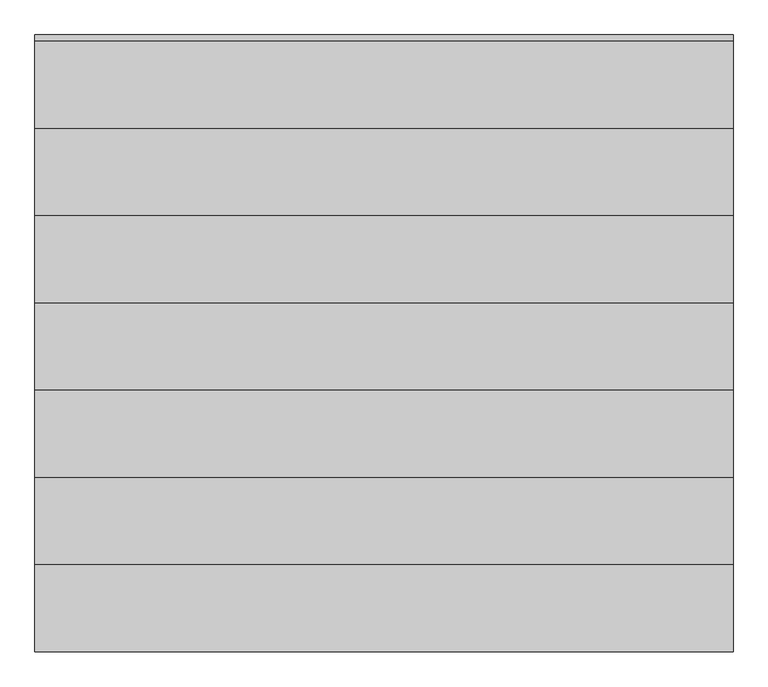
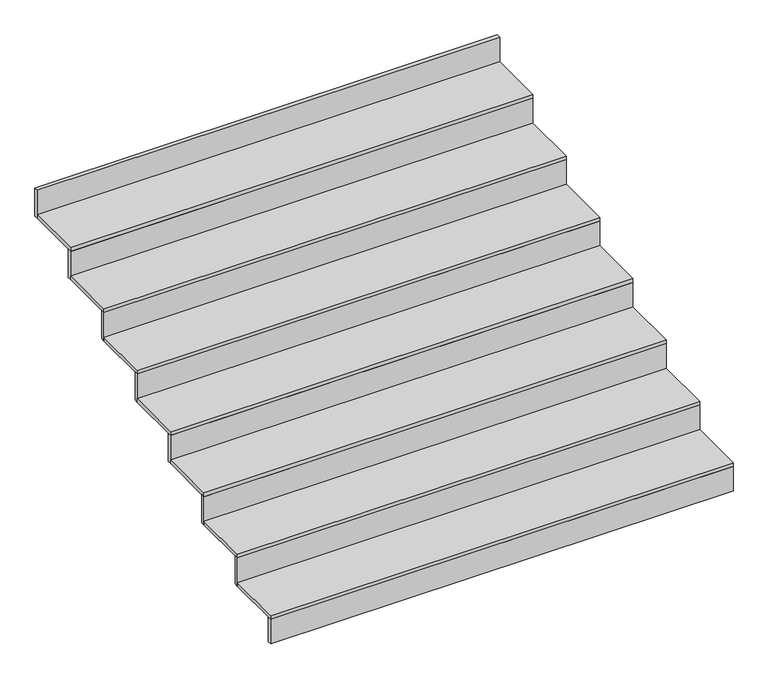
"""IFC4 building model written with IfcOpenShell, lengths in millimetres: stair flight geometry."""

from ifc_helpers import new_model, si_unit, frame, origin, place, context, project, spatial, polyline, outline, extrude, source, transform, mapped, element, save


def stair_flight_94210a76(model_context):
    return source(origin(), model_context, "Body", "SweptSolid", [
        extrude(outline(polyline([(137888.4918276, 83215.1344505), (137888.4918276, 83195.1344505), (135488.4918276, 83195.1344505), (135488.4918276, 83215.1344505), (137888.4918276, 83215.1344505)])), frame((0.0, 0.0, 1319.7255801), z_axis=(0.0, 0.0, 1.0), x_axis=(1.0, 0.0, 0.0)), (0.0, 0.0, 1.0), 134.8736167),
        extrude(outline(polyline([(135488.4918276, 83495.1344505), (137888.4918276, 83495.1344505), (137888.4918276, 83195.1344505), (135488.4918276, 83195.1344505), (135488.4918276, 83495.1344505)])), frame((0.0, 0.0, 1454.5991968), z_axis=(0.0, 0.0, 1.0), x_axis=(1.0, 0.0, 0.0)), (0.0, 0.0, 1.0), 20.0),
        extrude(outline(polyline([(137888.4918276, 83515.1344505), (137888.4918276, 83495.1344505), (135488.4918276, 83495.1344505), (135488.4918276, 83515.1344505), (137888.4918276, 83515.1344505)])), frame((0.0, 0.0, 1454.5991968), z_axis=(0.0, 0.0, 1.0), x_axis=(1.0, 0.0, 0.0)), (0.0, 0.0, 1.0), 154.8736167),
        extrude(outline(polyline([(135488.4918276, 83795.1344505), (137888.4918276, 83795.1344505), (137888.4918276, 83495.1344505), (135488.4918276, 83495.1344505), (135488.4918276, 83795.1344505)])), frame((0.0, 0.0, 1609.4728135), z_axis=(0.0, 0.0, 1.0), x_axis=(1.0, 0.0, 0.0)), (0.0, 0.0, 1.0), 20.0),
        extrude(outline(polyline([(137888.4918276, 83815.1344505), (137888.4918276, 83795.1344505), (135488.4918276, 83795.1344505), (135488.4918276, 83815.1344505), (137888.4918276, 83815.1344505)])), frame((0.0, 0.0, 1609.4728135), z_axis=(0.0, 0.0, 1.0), x_axis=(1.0, 0.0, 0.0)), (0.0, 0.0, 1.0), 154.8736167),
        extrude(outline(polyline([(135488.4918276, 84095.1344505), (137888.4918276, 84095.1344505), (137888.4918276, 83795.1344505), (135488.4918276, 83795.1344505), (135488.4918276, 84095.1344505)])), frame((0.0, 0.0, 1764.3464302), z_axis=(0.0, 0.0, 1.0), x_axis=(1.0, 0.0, 0.0)), (0.0, 0.0, 1.0), 20.0),
        extrude(outline(polyline([(137888.4918276, 84115.1344505), (137888.4918276, 84095.1344505), (135488.4918276, 84095.1344505), (135488.4918276, 84115.1344505), (137888.4918276, 84115.1344505)])), frame((0.0, 0.0, 1764.3464302), z_axis=(0.0, 0.0, 1.0), x_axis=(1.0, 0.0, 0.0)), (0.0, 0.0, 1.0), 154.8736167),
        extrude(outline(polyline([(135488.4918276, 84395.1344505), (137888.4918276, 84395.1344505), (137888.4918276, 84095.1344505), (135488.4918276, 84095.1344505), (135488.4918276, 84395.1344505)])), frame((0.0, 0.0, 1919.2200468), z_axis=(0.0, 0.0, 1.0), x_axis=(1.0, 0.0, 0.0)), (0.0, 0.0, 1.0), 20.0),
        extrude(outline(polyline([(137888.4918276, 84415.1344505), (137888.4918276, 84395.1344505), (135488.4918276, 84395.1344505), (135488.4918276, 84415.1344505), (137888.4918276, 84415.1344505)])), frame((0.0, 0.0, 1919.2200468), z_axis=(0.0, 0.0, 1.0), x_axis=(1.0, 0.0, 0.0)), (0.0, 0.0, 1.0), 154.8736167),
        extrude(outline(polyline([(135488.4918276, 84695.1344505), (137888.4918276, 84695.1344505), (137888.4918276, 84395.1344505), (135488.4918276, 84395.1344505), (135488.4918276, 84695.1344505)])), frame((0.0, 0.0, 2074.0936635), z_axis=(0.0, 0.0, 1.0), x_axis=(1.0, 0.0, 0.0)), (0.0, 0.0, 1.0), 20.0),
        extrude(outline(polyline([(137888.4918276, 84715.1344505), (137888.4918276, 84695.1344505), (135488.4918276, 84695.1344505), (135488.4918276, 84715.1344505), (137888.4918276, 84715.1344505)])), frame((0.0, 0.0, 2074.0936635), z_axis=(0.0, 0.0, 1.0), x_axis=(1.0, 0.0, 0.0)), (0.0, 0.0, 1.0), 154.8736167),
        extrude(outline(polyline([(135488.4918276, 84995.1344505), (137888.4918276, 84995.1344505), (137888.4918276, 84695.1344505), (135488.4918276, 84695.1344505), (135488.4918276, 84995.1344505)])), frame((0.0, 0.0, 2228.9672802), z_axis=(0.0, 0.0, 1.0), x_axis=(1.0, 0.0, 0.0)), (0.0, 0.0, 1.0), 20.0),
        extrude(outline(polyline([(137888.4918276, 85015.1344505), (137888.4918276, 84995.1344505), (135488.4918276, 84995.1344505), (135488.4918276, 85015.1344505), (137888.4918276, 85015.1344505)])), frame((0.0, 0.0, 2228.9672802), z_axis=(0.0, 0.0, 1.0), x_axis=(1.0, 0.0, 0.0)), (0.0, 0.0, 1.0), 154.8736167),
        extrude(outline(polyline([(137888.4918276, 85315.1344505), (137888.4918276, 85295.1344505), (135488.4918276, 85295.1344505), (135488.4918276, 85315.1344505), (137888.4918276, 85315.1344505)])), frame((0.0, 0.0, 2383.8408969), z_axis=(0.0, 0.0, 1.0), x_axis=(1.0, 0.0, 0.0)), (0.0, 0.0, 1.0), 154.8736167),
        extrude(outline(polyline([(135488.4918276, 85295.1344505), (137888.4918276, 85295.1344505), (137888.4918276, 84995.1344505), (135488.4918276, 84995.1344505), (135488.4918276, 85295.1344505)])), frame((0.0, 0.0, 2383.8408969), z_axis=(0.0, 0.0, 1.0), x_axis=(1.0, 0.0, 0.0)), (0.0, 0.0, 1.0), 20.0),
    ])


if __name__ == "__main__":
    model = new_model("IFC4")
    model_context = context("Model", 3, world=origin())
    ifc_project = project(units=[si_unit("LENGTHUNIT", "METRE", prefix="MILLI")], contexts=[model_context])
    site = spatial("IfcSite", under=ifc_project)
    building = spatial("IfcBuilding", under=site)
    placement = place(None, origin())
    stair_flight_shape = stair_flight_94210a76(model_context)
    element("IfcStairFlight", 1, at=placement, inside=building, context=model_context, shape_type="MappedRepresentation", body=[
        mapped(stair_flight_shape, transform((0.0, 0.0, 0.0), x_axis=(1.0, 0.0, 0.0), y_axis=(0.0, 1.0, 0.0), z_axis=(0.0, 0.0, 1.0))),
    ])
    save(model, "model.ifc")
